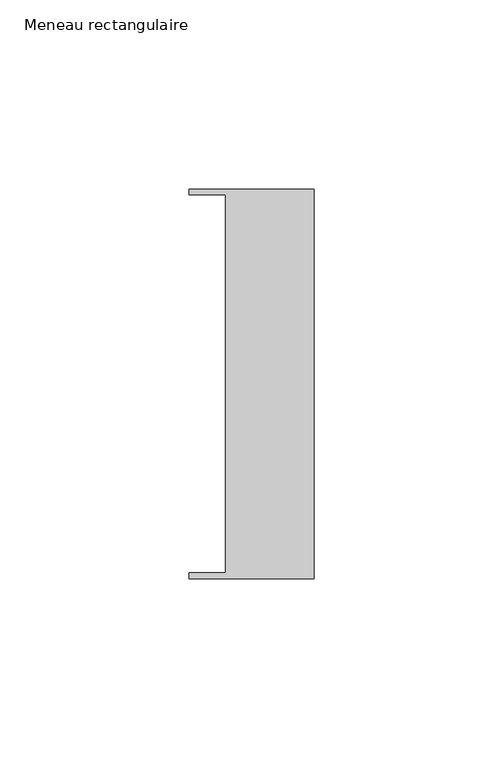
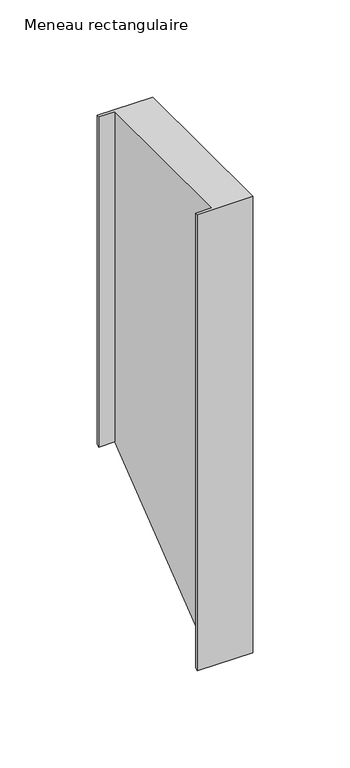
"""IFC4 building model written with IfcOpenShell, lengths in millimetres: member geometry, Meneau rectangulaire."""

from ifc_helpers import new_model, si_unit, origin, place, context, project, spatial, faceted_brep, source, transform, mapped, element, save


def meneau_rectangulaire_ee5ef0e0(model_context):
    return source(origin(), model_context, "Body", "Brep", [
        faceted_brep([(-33.0, 51.4622428, 0.0), (-33.0, 49.9614402, 0.0), (-23.4, 49.9614402, 0.0), (-23.4, -49.9505712, 0.0), (-33.0, -49.9505712, 0.0), (-33.0, -51.4712299, 0.0), (0.0, -51.4712299, 0.0), (0.0, 51.4622428, 0.0), (-33.0, 51.4622428, -206.531046), (-33.0, 49.9614402, -207.7012507), (-23.4, 49.9614402, -207.7012507), (-23.4, -49.9505712, -285.60457), (-33.0, -49.9505712, -285.60457), (-33.0, -51.4712299, -286.7902568), (0.0, -51.4712299, -286.7902568), (0.0, 51.4622428, -206.531046)], [[[0, 1, 2, 3, 4, 5, 6, 7]], [[1, 0, 8, 9]], [[2, 1, 9, 10]], [[3, 2, 10, 11]], [[4, 3, 11, 12]], [[5, 4, 12, 13]], [[6, 5, 13, 14]], [[7, 6, 14, 15]], [[0, 7, 15, 8]], [[8, 15, 14, 13, 12, 11, 10, 9]]]),
    ])


if __name__ == "__main__":
    model = new_model("IFC4")
    model_context = context("Model", 3, world=origin())
    ifc_project = project(units=[si_unit("LENGTHUNIT", "METRE", prefix="MILLI")], contexts=[model_context])
    site = spatial("IfcSite", under=ifc_project)
    building = spatial("IfcBuilding", under=site)
    placement = place(None, origin())
    meneau_rectangulaire_shape = meneau_rectangulaire_ee5ef0e0(model_context)
    element("IfcMember", 1, ObjectType="Meneau rectangulaire", at=placement, inside=building, context=model_context, shape_type="MappedRepresentation", body=[
        mapped(meneau_rectangulaire_shape, transform((0.0, 0.0, 0.0), x_axis=(1.0, 0.0, 0.0), y_axis=(0.0, 1.0, 0.0), z_axis=(0.0, 0.0, 1.0))),
    ])
    save(model, "model.ifc")
